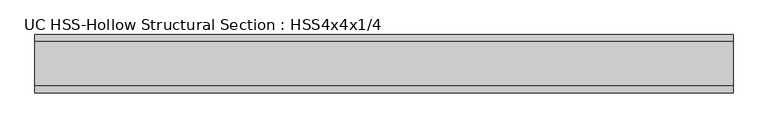
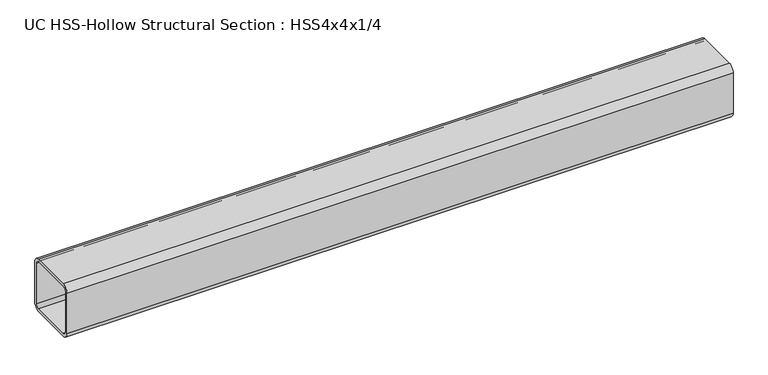
"""IFC4 building model written with IfcOpenShell, lengths in millimetres: beam geometry, UC HSS-Hollow Structural Section : HSS4x4x1/4."""

from ifc_helpers import new_model, si_unit, point, frame, frame_2d, origin, place, context, project, spatial, polyline, circle_curve, trimmed, segment, composite_curve, outline, extrude, source, transform, mapped, element, save


def uc_hss_hollow_structural_section_hss4x4x1_4_b5480d04(model_context):
    return source(origin(), model_context, "Body", "SweptSolid", [
        extrude(outline(composite_curve([segment(trimmed(circle_curve(frame_2d((-38.9636, 38.9636)), 11.8364), [point((-50.8, 38.9636))], [point((-38.9636, 50.8))], False, "CARTESIAN"), True, "CONTINUOUS"), segment(polyline([(-38.9636, 50.8), (38.9636, 50.8)]), True, "CONTINUOUS"), segment(trimmed(circle_curve(frame_2d((38.9636, 38.9636)), 11.8364), [point((38.9636, 50.8))], [point((50.8, 38.9636))], False, "CARTESIAN"), True, "CONTINUOUS"), segment(polyline([(50.8, 38.9636), (50.8, -38.9636)]), True, "CONTINUOUS"), segment(trimmed(circle_curve(frame_2d((38.9636, -38.9636)), 11.8364), [point((50.8, -38.9636))], [point((38.9636, -50.8))], False, "CARTESIAN"), True, "CONTINUOUS"), segment(polyline([(38.9636, -50.8), (-38.9636, -50.8)]), True, "CONTINUOUS"), segment(trimmed(circle_curve(frame_2d((-38.9636, -38.9636)), 11.8364), [point((-38.9636, -50.8))], [point((-50.8, -38.9636))], False, "CARTESIAN"), True, "CONTINUOUS"), segment(polyline([(-50.8, -38.9636), (-50.8, 38.9636)]), True, "CONTINUOUS")], self_intersect=False), holes=[composite_curve([segment(polyline([(38.9636, 44.8818), (-38.9636, 44.8818)]), True, "CONTINUOUS"), segment(trimmed(circle_curve(frame_2d((-38.9636, 38.9636)), 5.9182), [point((-38.9636, 44.8818))], [point((-44.8818, 38.9636))], True, "CARTESIAN"), True, "CONTINUOUS"), segment(polyline([(-44.8818, 38.9636), (-44.8818, -38.9636)]), True, "CONTINUOUS"), segment(trimmed(circle_curve(frame_2d((-38.9636, -38.9636)), 5.9182), [point((-44.8818, -38.9636))], [point((-38.9636, -44.8818))], True, "CARTESIAN"), True, "CONTINUOUS"), segment(polyline([(-38.9636, -44.8818), (38.9636, -44.8818)]), True, "CONTINUOUS"), segment(trimmed(circle_curve(frame_2d((38.9636, -38.9636)), 5.9182), [point((38.9636, -44.8818))], [point((44.8818, -38.9636))], True, "CARTESIAN"), True, "CONTINUOUS"), segment(polyline([(44.8818, -38.9636), (44.8818, 38.9636)]), True, "CONTINUOUS"), segment(trimmed(circle_curve(frame_2d((38.9636, 38.9636)), 5.9182), [point((44.8818, 38.9636))], [point((38.9636, 44.8818))], True, "CARTESIAN"), True, "CONTINUOUS")], self_intersect=False)]), frame((-641.35, 0.0, 0.0), z_axis=(1.0, 0.0, 0.0), x_axis=(0.0, 1.0, 0.0)), (0.0, 0.0, 1.0), 1219.1343365),
    ])


if __name__ == "__main__":
    model = new_model("IFC4")
    model_context = context("Model", 3, world=origin())
    ifc_project = project(units=[si_unit("LENGTHUNIT", "METRE", prefix="MILLI")], contexts=[model_context])
    site = spatial("IfcSite", under=ifc_project)
    building = spatial("IfcBuilding", under=site)
    placement = place(None, origin())
    uc_hss_hollow_structural_section_hss4x4x1_4_shape = uc_hss_hollow_structural_section_hss4x4x1_4_b5480d04(model_context)
    element("IfcBeam", 1, ObjectType="UC HSS-Hollow Structural Section : HSS4x4x1/4", at=placement, inside=building, context=model_context, shape_type="MappedRepresentation", body=[
        mapped(uc_hss_hollow_structural_section_hss4x4x1_4_shape, transform((0.0, 0.0, 0.0), x_axis=(1.0, 0.0, 0.0), y_axis=(0.0, 1.0, 0.0), z_axis=(0.0, 0.0, 1.0))),
    ])
    save(model, "model.ifc")
